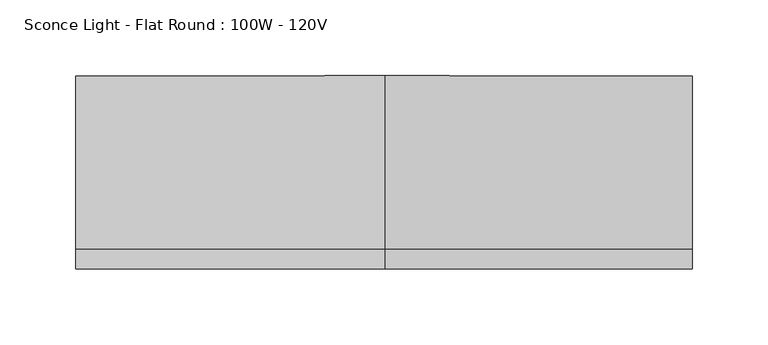
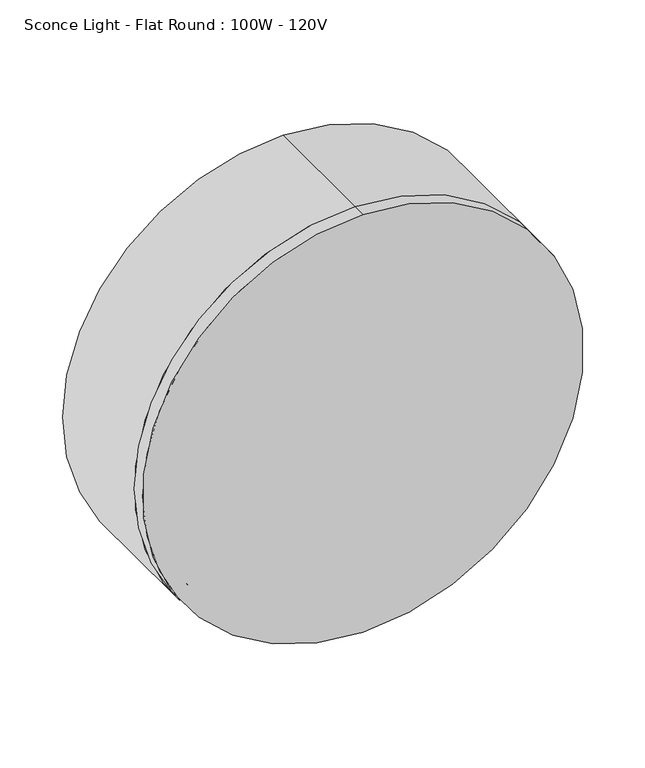
"""IFC4 building model written with IfcOpenShell, lengths in millimetres: light fixture geometry, Sconce Light - Flat Round : 100W - 120V."""

from ifc_helpers import new_model, si_unit, point, frame, frame_2d, origin, place, context, project, spatial, circle_curve, trimmed, segment, composite_curve, outline, extrude, source, transform, mapped, element, save


def sconce_light_flat_round_100w_120v_545a9479(model_context):
    return source(origin(), model_context, "Body", "SweptSolid", [
        extrude(outline(composite_curve([segment(trimmed(circle_curve(frame_2d((1930.4, 0.0)), 203.2), [point((1727.2, 0.0))], [point((2133.6, 0.0))], False, "CARTESIAN"), True, "CONTINUOUS"), segment(trimmed(circle_curve(frame_2d((1930.4, 0.0)), 203.2), [point((2133.6, 0.0))], [point((1727.2, 0.0))], False, "CARTESIAN"), True, "CONTINUOUS")], self_intersect=False)), frame((0.0, -277.8125, 0.0), z_axis=(0.0, 1.0, 0.0), x_axis=(0.0, 0.0, 1.0)), (0.0, 0.0, 1.0), 12.7),
        extrude(outline(composite_curve([segment(trimmed(circle_curve(frame_2d((1930.4, 0.0)), 203.2), [point((1727.2, 0.0))], [point((2133.6, 0.0))], False, "CARTESIAN"), True, "CONTINUOUS"), segment(trimmed(circle_curve(frame_2d((1930.4, 0.0)), 203.2), [point((2133.6, 0.0))], [point((1727.2, 0.0))], False, "CARTESIAN"), True, "CONTINUOUS")], self_intersect=False), holes=[composite_curve([segment(trimmed(circle_curve(frame_2d((1930.4, 0.0)), 190.7182302), [point((1739.6817698, 0.0))], [point((2121.1182302, 0.0))], True, "CARTESIAN"), True, "CONTINUOUS"), segment(trimmed(circle_curve(frame_2d((1930.4, 0.0)), 190.7182302), [point((2121.1182302, 0.0))], [point((1739.6817698, 0.0))], True, "CARTESIAN"), True, "CONTINUOUS")], self_intersect=False)]), frame((0.0, -265.1125, 0.0), z_axis=(0.0, 1.0, 0.0), x_axis=(0.0, 0.0, 1.0)), (0.0, 0.0, 1.0), 114.3),
    ])


if __name__ == "__main__":
    model = new_model("IFC4")
    model_context = context("Model", 3, world=origin())
    ifc_project = project(units=[si_unit("LENGTHUNIT", "METRE", prefix="MILLI")], contexts=[model_context])
    site = spatial("IfcSite", under=ifc_project)
    building = spatial("IfcBuilding", under=site)
    placement = place(None, origin())
    sconce_light_flat_round_100w_120v_shape = sconce_light_flat_round_100w_120v_545a9479(model_context)
    element("IfcLightFixture", 1, ObjectType="Sconce Light - Flat Round : 100W - 120V", at=placement, inside=building, context=model_context, shape_type="MappedRepresentation", body=[
        mapped(sconce_light_flat_round_100w_120v_shape, transform((0.0, 0.0, 0.0), x_axis=(1.0, 0.0, 0.0), y_axis=(0.0, 1.0, 0.0), z_axis=(0.0, 0.0, 1.0))),
    ])
    save(model, "model.ifc")
